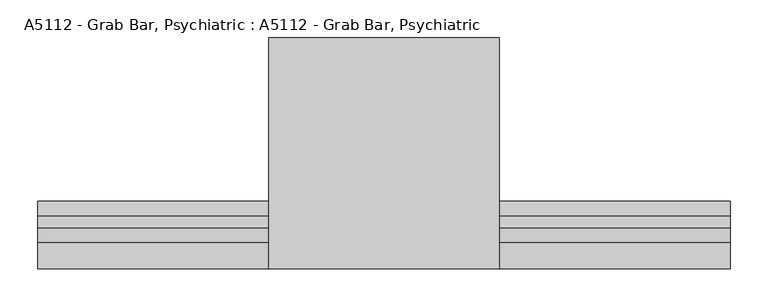
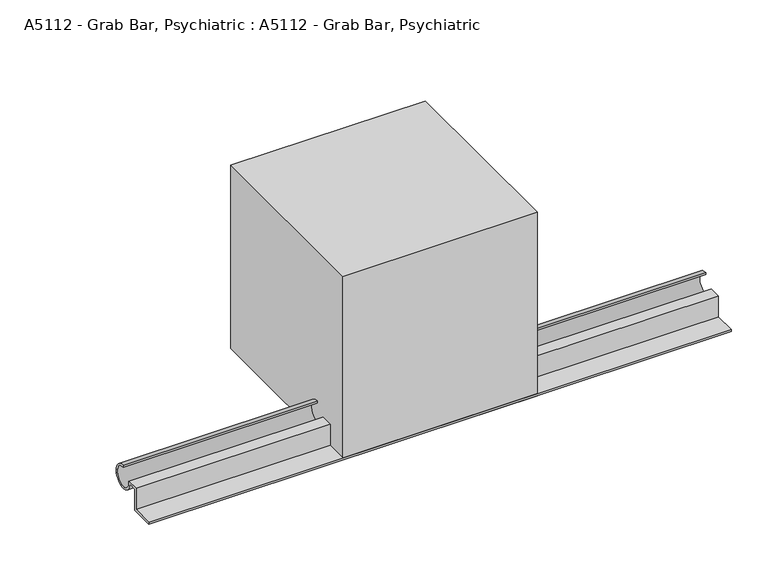
"""IFC4 building model written with IfcOpenShell, lengths in millimetres: proxy geometry, A5112 - Grab Bar, Psychiatric : A5112 - Grab Bar, Psychiatric."""

from ifc_helpers import new_model, si_unit, point, frame, frame_2d, origin, origin_with_axes, place, context, project, spatial, polyline, circle_curve, trimmed, segment, composite_curve, outline, extrude, source, transform, mapped, element, save


def a5112_grab_bar_psychiatric_a5112_grab_bar_psychiatric_56757972(model_context):
    return source(origin(), model_context, "Body", "SweptSolid", [
        extrude(outline(composite_curve([segment(polyline([(38.1, 0.0), (0.0, 0.0), (0.0, 3.175), (34.925, 3.175), (34.925, 38.1), (54.0545744, 38.1)]), True, "CONTINUOUS"), segment(trimmed(circle_curve(frame_2d((69.85, 36.5125)), 15.875), [point((54.0545744, 38.1))], [point((69.85, 52.3875))], True, "CARTESIAN"), True, "CONTINUOUS"), segment(polyline([(69.85, 52.3875), (69.85, 55.5625)]), True, "CONTINUOUS"), segment(trimmed(circle_curve(frame_2d((69.85, 36.5125)), 19.05), [point((69.85, 55.5625))], [point((50.8662611, 34.925))], False, "CARTESIAN"), True, "CONTINUOUS"), segment(polyline([(50.8662611, 34.925), (38.1, 34.925), (38.1, 0.0)]), True, "CONTINUOUS")], self_intersect=False)), frame((-457.2, 0.0, 0.0), z_axis=(1.0, 0.0, 0.0), x_axis=(0.0, 1.0, 0.0)), (0.0, 0.0, 1.0), 914.4),
        extrude(outline(polyline([(152.4, 304.8), (152.4, 0.0), (-152.4, 0.0), (-152.4, 304.8), (152.4, 304.8)])), origin_with_axes(), (0.0, 0.0, 1.0), 304.8),
    ])


if __name__ == "__main__":
    model = new_model("IFC4")
    model_context = context("Model", 3, world=origin())
    ifc_project = project(units=[si_unit("LENGTHUNIT", "METRE", prefix="MILLI")], contexts=[model_context])
    site = spatial("IfcSite", under=ifc_project)
    building = spatial("IfcBuilding", under=site)
    placement = place(None, origin())
    a5112_grab_bar_psychiatric_a5112_grab_bar_psychiatric_shape = a5112_grab_bar_psychiatric_a5112_grab_bar_psychiatric_56757972(model_context)
    element("IfcBuildingElementProxy", 1, Name="A5112 - Grab Bar, Psychiatric : A5112 - Grab Bar, Psychiatric", ObjectType="A5112 - Grab Bar, Psychiatric : A5112 - Grab Bar, Psychiatric", at=placement, inside=building, context=model_context, shape_type="MappedRepresentation", body=[
        mapped(a5112_grab_bar_psychiatric_a5112_grab_bar_psychiatric_shape, transform((0.0, 0.0, 0.0), x_axis=(1.0, 0.0, 0.0), y_axis=(0.0, 1.0, 0.0), z_axis=(0.0, 0.0, 1.0))),
    ])
    save(model, "model.ifc")
